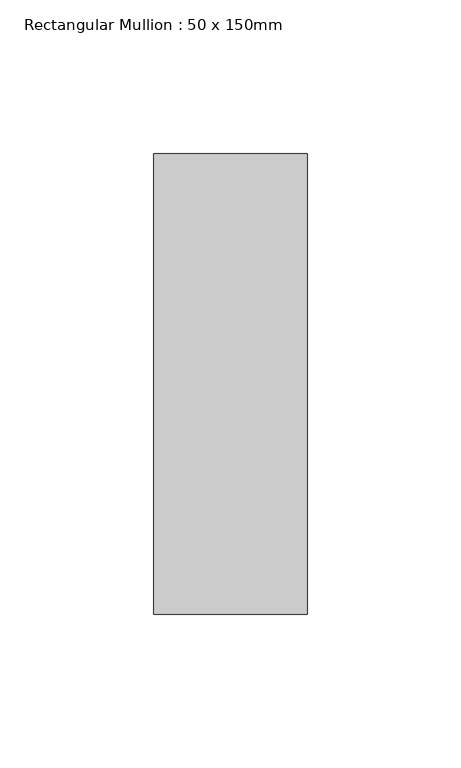
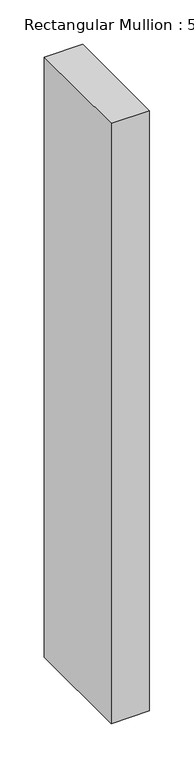
"""IFC4 building model written with IfcOpenShell, lengths in millimetres: member geometry, Rectangular Mullion : 50 x 150mm."""

from ifc_helpers import new_model, si_unit, frame, origin, place, context, project, spatial, polyline, outline, extrude, source, transform, mapped, element, save


def rectangular_mullion_50_x_150mm_4883e7f1(model_context):
    return source(origin(), model_context, "Body", "SweptSolid", [
        extrude(outline(polyline([(0.0, 75.0), (0.0, -75.0), (-50.0, -75.0), (-50.0, 75.0), (0.0, 75.0)])), frame((0.0, 0.0, -825.0), z_axis=(0.0, 0.0, 1.0), x_axis=(1.0, 0.0, 0.0)), (0.0, 0.0, 1.0), 825.0),
    ])


if __name__ == "__main__":
    model = new_model("IFC4")
    model_context = context("Model", 3, world=origin())
    ifc_project = project(units=[si_unit("LENGTHUNIT", "METRE", prefix="MILLI")], contexts=[model_context])
    site = spatial("IfcSite", under=ifc_project)
    building = spatial("IfcBuilding", under=site)
    placement = place(None, origin())
    rectangular_mullion_50_x_150mm_shape = rectangular_mullion_50_x_150mm_4883e7f1(model_context)
    element("IfcMember", 1, ObjectType="Rectangular Mullion : 50 x 150mm", at=placement, inside=building, context=model_context, shape_type="MappedRepresentation", body=[
        mapped(rectangular_mullion_50_x_150mm_shape, transform((0.0, 0.0, 0.0), x_axis=(1.0, 0.0, 0.0), y_axis=(0.0, 1.0, 0.0), z_axis=(0.0, 0.0, 1.0))),
    ])
    save(model, "model.ifc")
